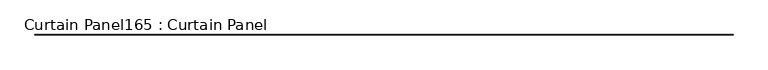
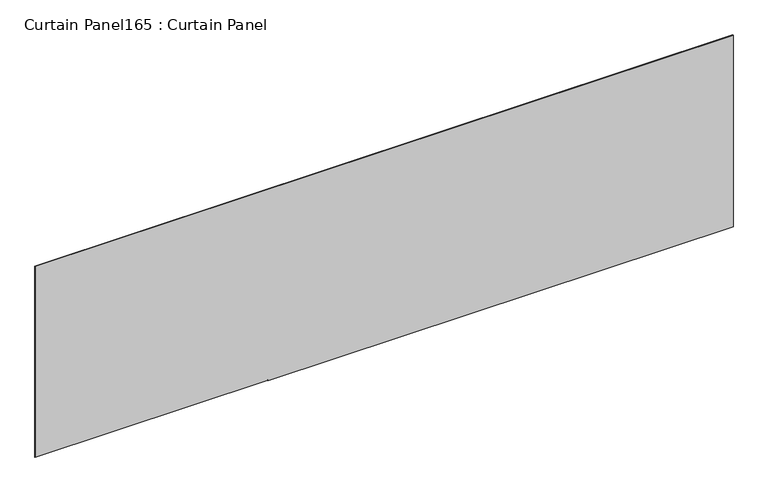
"""IFC4 building model written with IfcOpenShell, lengths in millimetres: plate geometry, Curtain Panel165 : Curtain Panel."""

from ifc_helpers import new_model, si_unit, frame, origin, place, context, project, spatial, polyline, outline, extrude, source, transform, mapped, element, save


def curtain_panel165_curtain_panel_293f3ef1(model_context):
    return source(origin(), model_context, "Body", "SweptSolid", [
        extrude(outline(polyline([(15479.1186899, 468425.5898115), (20738.7785663, 468425.5898115), (20738.7785663, 450289.9898115), (15493.4685928, 450289.9898115), (15493.4685928, 456335.1898115), (15479.1186899, 456335.1898115), (15479.1186899, 468425.5898115)])), frame((0.0, 2292.6839321, 0.0), z_axis=(0.0, 1.0, 0.0), x_axis=(0.0, 0.0, 1.0)), (0.0, 0.0, 1.0), 6.35),
    ])


if __name__ == "__main__":
    model = new_model("IFC4")
    model_context = context("Model", 3, world=origin())
    ifc_project = project(units=[si_unit("LENGTHUNIT", "METRE", prefix="MILLI")], contexts=[model_context])
    site = spatial("IfcSite", under=ifc_project)
    building = spatial("IfcBuilding", under=site)
    placement = place(None, origin())
    curtain_panel165_curtain_panel_shape = curtain_panel165_curtain_panel_293f3ef1(model_context)
    element("IfcPlate", 1, ObjectType="Curtain Panel165 : Curtain Panel", at=placement, inside=building, context=model_context, shape_type="MappedRepresentation", body=[
        mapped(curtain_panel165_curtain_panel_shape, transform((0.0, 0.0, 0.0), x_axis=(1.0, 0.0, 0.0), y_axis=(0.0, 1.0, 0.0), z_axis=(0.0, 0.0, 1.0))),
    ])
    save(model, "model.ifc")
